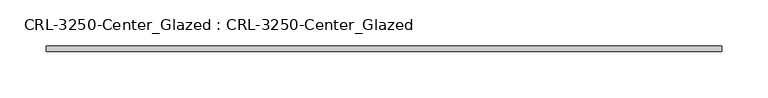
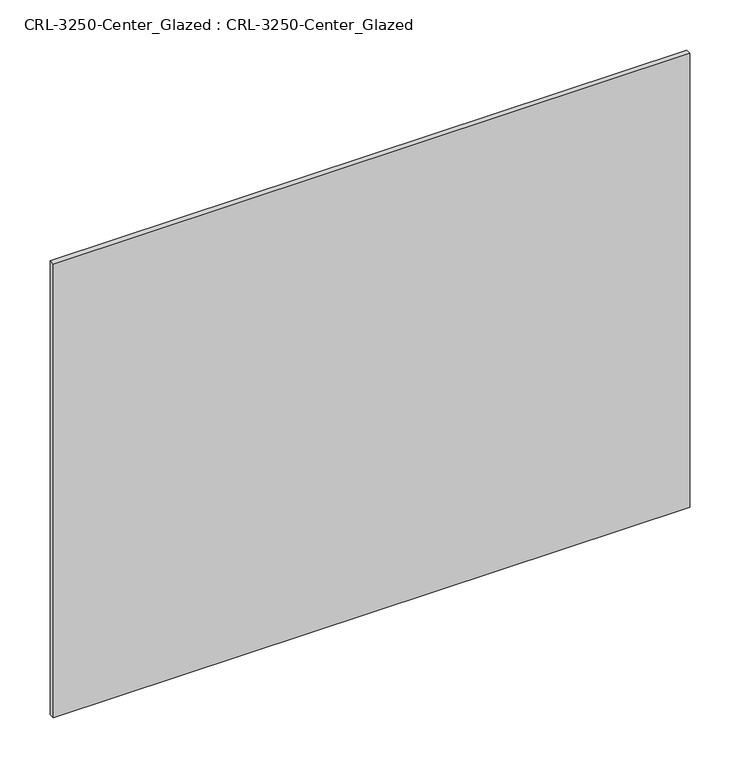
"""IFC4 building model written with IfcOpenShell, lengths in millimetres: plate geometry, CRL-3250-Center_Glazed : CRL-3250-Center_Glazed."""

import ifcopenshell
import ifcopenshell.guid

model = None  # the IFC model being written
_history = None  # IfcOwnerHistory: only IFC2X3 demands one
_inside = {}  # id of a spatial element -> (the spatial element, [elements in it])
_under = {}  # id of a project, library or spatial element -> (it, [spatial elements below it])
_declared = {}  # id of a project -> (the project, [libraries it declares])
_typed = {}  # id of a type object -> (the type object, [elements of that type])
_made_of = {}  # id of a material, layer set ... -> (it, [elements and type objects made of it])


def new_model(schema):
    """Start an empty IFC model of exactly this schema.

    Asked for "IFC4X3", IfcOpenShell would pick the latest addendum, in which some entities
    have other attributes; the version numbers below select the first issue.
    IFC2X3 requires an IfcOwnerHistory on every rooted entity: one is made here for all.
    """
    global model, _history
    if schema == "IFC4X3":
        model = ifcopenshell.file(schema_version=(4, 3, 0, 0))
    else:
        model = ifcopenshell.file(schema=schema)
    _inside.clear()
    _under.clear()
    _declared.clear()
    _typed.clear()
    _made_of.clear()
    _history = None
    if model.schema == "IFC2X3":
        org = make("IfcOrganization", Name="unknown")
        user = make(
            "IfcPersonAndOrganization",
            ThePerson=make("IfcPerson", FamilyName="unknown"),
            TheOrganization=org,
        )
        app = make(
            "IfcApplication",
            ApplicationDeveloper=org,
            Version="unknown",
            ApplicationFullName="unknown",
            ApplicationIdentifier="unknown",
        )
        _history = make(
            "IfcOwnerHistory",
            OwningUser=user,
            OwningApplication=app,
            ChangeAction="ADDED",
            CreationDate=0,
        )
    return model


def make(cls, **values):
    """One entity of the class cls with the attributes given. An attribute that is None is left unset."""
    return model.create_entity(
        cls, **{name: value for name, value in values.items() if value is not None}
    )


def rooted(cls, **values):
    """An entity with a GlobalId (a new one), such as an element, a storey or a relation."""
    return make(cls, GlobalId=ifcopenshell.guid.new(), OwnerHistory=_history, **values)


def si_unit(unit_type, name, prefix=None):
    """IfcSIUnit, for example si_unit("LENGTHUNIT", "METRE", prefix="MILLI")."""
    return make("IfcSIUnit", UnitType=unit_type, Prefix=prefix, Name=name)


def assignment(units):
    """IfcUnitAssignment: the units of a project."""
    return None if units is None else make("IfcUnitAssignment", Units=units)


def point(xyz):
    """IfcCartesianPoint."""
    return None if xyz is None else make("IfcCartesianPoint", Coordinates=xyz)


def direction(xyz):
    """IfcDirection."""
    return None if xyz is None else make("IfcDirection", DirectionRatios=xyz)


def frame(location, z_axis=None, x_axis=None):
    """IfcAxis2Placement3D, a coordinate frame: its origin and axes. An axis left out is left unset."""
    return make(
        "IfcAxis2Placement3D",
        Location=point(location),
        Axis=direction(z_axis),
        RefDirection=direction(x_axis),
    )


def origin():
    """The frame at (0, 0, 0) with its axes left unset."""
    return frame((0.0, 0.0, 0.0))


def origin_with_axes():
    """The frame at (0, 0, 0) with the z axis (0, 0, 1) and the x axis (1, 0, 0) written out."""
    return frame((0.0, 0.0, 0.0), z_axis=(0.0, 0.0, 1.0), x_axis=(1.0, 0.0, 0.0))


def place(relative_to, where):
    """IfcLocalPlacement: puts the frame where relative to a parent placement (None: the world)."""
    return make(
        "IfcLocalPlacement", PlacementRelTo=relative_to, RelativePlacement=where
    )


def context(
    kind, dimensions, precision=None, world=None, true_north=None, identifier=None
):
    """IfcGeometricRepresentationContext, for example the 3D "Model" context."""
    return make(
        "IfcGeometricRepresentationContext",
        ContextIdentifier=identifier,
        ContextType=kind,
        CoordinateSpaceDimension=dimensions,
        Precision=precision,
        WorldCoordinateSystem=world,
        TrueNorth=true_north,
    )


def project(units=None, contexts=None):
    """IfcProject with its units and contexts."""
    return rooted(
        "IfcProject",
        Name="project",
        RepresentationContexts=contexts,
        UnitsInContext=assignment(units),
    )


def spatial(cls, under=None, at=None, **own):
    """A site, building, storey or space (cls), placed at a placement, below another one or the project."""
    s = rooted(cls, ObjectPlacement=at, **own)
    if under is not None:
        _under.setdefault(under.id(), (under, []))[1].append(s)
    return s


def polyline(points):
    """IfcPolyline through the points."""
    return make("IfcPolyline", Points=[point(p) for p in points])


def outline(outer, holes=None, kind="AREA"):
    """IfcArbitraryClosedProfileDef: a profile drawn as a closed curve; with holes, ...WithVoids."""
    if holes is None:
        return make("IfcArbitraryClosedProfileDef", ProfileType=kind, OuterCurve=outer)
    return make(
        "IfcArbitraryProfileDefWithVoids",
        ProfileType=kind,
        OuterCurve=outer,
        InnerCurves=holes,
    )


def extrude(swept, where, along, depth):
    """IfcExtrudedAreaSolid: the profile swept, set in the frame where, extruded along a direction by depth."""
    return make(
        "IfcExtrudedAreaSolid",
        SweptArea=swept,
        Position=where,
        ExtrudedDirection=direction(along),
        Depth=depth,
    )


def shape(context_of_items, identifier, shape_type, items):
    """IfcShapeRepresentation: the items that make up one representation, for example the "Body"."""
    return make(
        "IfcShapeRepresentation",
        ContextOfItems=context_of_items,
        RepresentationIdentifier=identifier,
        RepresentationType=shape_type,
        Items=items,
    )


def source(mapping_origin, context_of_items, identifier, shape_type, items):
    """IfcRepresentationMap: a shape defined once, which mapped items show again and again."""
    return make(
        "IfcRepresentationMap",
        MappingOrigin=mapping_origin,
        MappedRepresentation=shape(context_of_items, identifier, shape_type, items),
    )


def transform(
    local_origin,
    x_axis=None,
    y_axis=None,
    z_axis=None,
    scale=None,
    scale2=None,
    scale3=None,
    uniform=True,
):
    """IfcCartesianTransformationOperator3D, or its non-uniform kind. x_axis, y_axis, z_axis: its Axis1, 2, 3."""
    if uniform:
        return make(
            "IfcCartesianTransformationOperator3D",
            Axis1=direction(x_axis),
            Axis2=direction(y_axis),
            LocalOrigin=point(local_origin),
            Scale=scale,
            Axis3=direction(z_axis),
        )
    return make(
        "IfcCartesianTransformationOperator3DnonUniform",
        Axis1=direction(x_axis),
        Axis2=direction(y_axis),
        LocalOrigin=point(local_origin),
        Scale=scale,
        Axis3=direction(z_axis),
        Scale2=scale2,
        Scale3=scale3,
    )


def mapped(mapping_source, mapping_target):
    """IfcMappedItem: shows the shape of a source again, moved by a transform."""
    return make(
        "IfcMappedItem", MappingSource=mapping_source, MappingTarget=mapping_target
    )


def made_of(thing, what):
    """Note that an element or type object is made of a material, layer set ...; save() writes the relation."""
    if what is not None:
        _made_of.setdefault(what.id(), (what, []))[1].append(thing)
    return thing


def element(
    cls,
    number,
    at=None,
    inside=None,
    cuts=None,
    type_object=None,
    material=None,
    context=None,
    identifier="Body",
    shape_type=None,
    held_by="IfcProductDefinitionShape",
    body=None,
    shapes=None,
    **own,
):
    """One element of the class cls, such as IfcWall. Its Tag is "e" and its number.

    at: its placement. inside: the storey or other place that contains it. cuts: it is an
    opening in that element (IfcRelVoidsElement). A single representation is given by context,
    identifier, shape_type and body (its items); several are given by shapes. held_by: the class
    of the entity that holds the representations. save() writes the other relations.
    """
    e = rooted(cls, Tag="e%d" % number, ObjectPlacement=at, **own)
    if body is not None:
        shapes = [shape(context, identifier, shape_type, body)]
    if shapes is not None:
        e.Representation = make(held_by, Representations=shapes)
    if inside is not None:
        _inside.setdefault(inside.id(), (inside, []))[1].append(e)
    if cuts is not None:
        rooted(
            "IfcRelVoidsElement", RelatingBuildingElement=cuts, RelatedOpeningElement=e
        )
    if type_object is not None:
        _typed.setdefault(type_object.id(), (type_object, []))[1].append(e)
    return made_of(e, material)


def aggregate(whole, parts):
    """IfcRelAggregates: a whole, such as a stair, and the parts it consists of."""
    return rooted("IfcRelAggregates", RelatingObject=whole, RelatedObjects=parts)


def save(model, path):
    """Write the relations noted so far, then the file.

    IfcRelAggregates (storeys below a building ...), IfcRelContainedInSpatialStructure (elements
    in a storey), IfcRelDefinesByType, IfcRelAssociatesMaterial and IfcRelDeclares: one each for
    every whole, place, type object, material and project.
    """
    for whole, parts in _under.values():
        aggregate(whole, parts)
    for where, things in _inside.values():
        rooted(
            "IfcRelContainedInSpatialStructure",
            RelatedElements=things,
            RelatingStructure=where,
        )
    for kind, things in _typed.values():
        rooted("IfcRelDefinesByType", RelatedObjects=things, RelatingType=kind)
    for what, things in _made_of.values():
        rooted("IfcRelAssociatesMaterial", RelatedObjects=things, RelatingMaterial=what)
    for by, libraries in _declared.values():
        rooted("IfcRelDeclares", RelatingContext=by, RelatedDefinitions=libraries)
    model.write(path)


def crl_3250_center_glazed_crl_3250_center_glazed_0066af43(model_context):
    return source(origin(), model_context, "Body", "SweptSolid", [
        extrude(outline(polyline([(366.4597327, 3.1749999), (366.4597327, -3.1749999), (-366.4597327, -3.1749999), (-366.4597327, 3.1749999), (366.4597327, 3.1749999)])), origin_with_axes(), (0.0, 0.0, 1.0), 552.4500045),
    ])


if __name__ == "__main__":
    model = new_model("IFC4")
    model_context = context("Model", 3, world=origin())
    ifc_project = project(units=[si_unit("LENGTHUNIT", "METRE", prefix="MILLI")], contexts=[model_context])
    site = spatial("IfcSite", under=ifc_project)
    building = spatial("IfcBuilding", under=site)
    placement = place(None, origin())
    crl_3250_center_glazed_crl_3250_center_glazed_shape = crl_3250_center_glazed_crl_3250_center_glazed_0066af43(model_context)
    element("IfcPlate", 1, ObjectType="CRL-3250-Center_Glazed : CRL-3250-Center_Glazed", at=placement, inside=building, context=model_context, shape_type="MappedRepresentation", body=[
        mapped(crl_3250_center_glazed_crl_3250_center_glazed_shape, transform((0.0, 0.0, 0.0), x_axis=(1.0, 0.0, 0.0), y_axis=(0.0, 1.0, 0.0), z_axis=(0.0, 0.0, 1.0))),
    ])
    save(model, "model.ifc")
